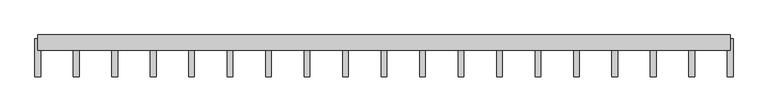
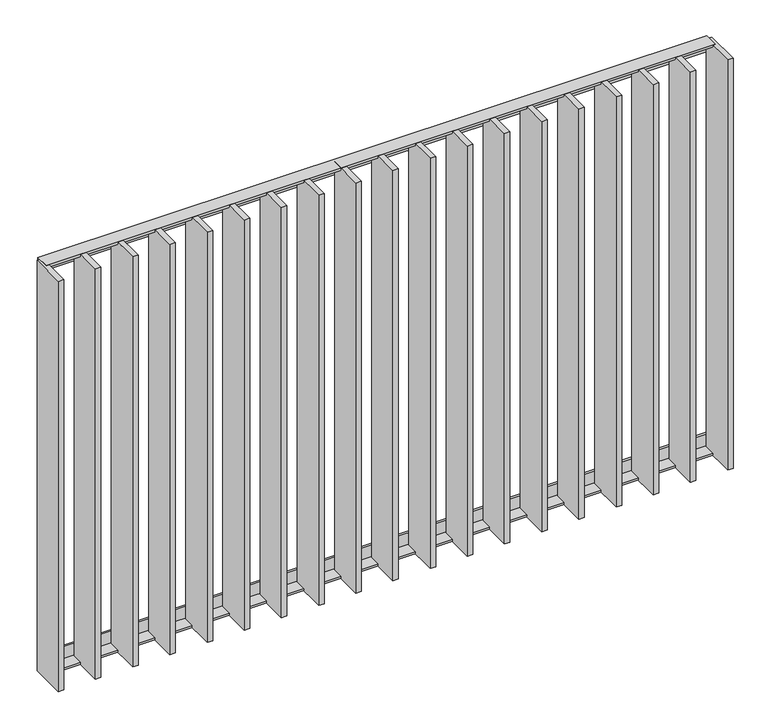
"""IFC4 building model written with IfcOpenShell, lengths in millimetres: railing geometry."""

import ifcopenshell
import ifcopenshell.guid

model = None  # the IFC model being written
_history = None  # IfcOwnerHistory: only IFC2X3 demands one
_inside = {}  # id of a spatial element -> (the spatial element, [elements in it])
_under = {}  # id of a project, library or spatial element -> (it, [spatial elements below it])
_declared = {}  # id of a project -> (the project, [libraries it declares])
_typed = {}  # id of a type object -> (the type object, [elements of that type])
_made_of = {}  # id of a material, layer set ... -> (it, [elements and type objects made of it])


def new_model(schema):
    """Start an empty IFC model of exactly this schema.

    Asked for "IFC4X3", IfcOpenShell would pick the latest addendum, in which some entities
    have other attributes; the version numbers below select the first issue.
    IFC2X3 requires an IfcOwnerHistory on every rooted entity: one is made here for all.
    """
    global model, _history
    if schema == "IFC4X3":
        model = ifcopenshell.file(schema_version=(4, 3, 0, 0))
    else:
        model = ifcopenshell.file(schema=schema)
    _inside.clear()
    _under.clear()
    _declared.clear()
    _typed.clear()
    _made_of.clear()
    _history = None
    if model.schema == "IFC2X3":
        org = make("IfcOrganization", Name="unknown")
        user = make(
            "IfcPersonAndOrganization",
            ThePerson=make("IfcPerson", FamilyName="unknown"),
            TheOrganization=org,
        )
        app = make(
            "IfcApplication",
            ApplicationDeveloper=org,
            Version="unknown",
            ApplicationFullName="unknown",
            ApplicationIdentifier="unknown",
        )
        _history = make(
            "IfcOwnerHistory",
            OwningUser=user,
            OwningApplication=app,
            ChangeAction="ADDED",
            CreationDate=0,
        )
    return model


def make(cls, **values):
    """One entity of the class cls with the attributes given. An attribute that is None is left unset."""
    return model.create_entity(
        cls, **{name: value for name, value in values.items() if value is not None}
    )


def rooted(cls, **values):
    """An entity with a GlobalId (a new one), such as an element, a storey or a relation."""
    return make(cls, GlobalId=ifcopenshell.guid.new(), OwnerHistory=_history, **values)


def si_unit(unit_type, name, prefix=None):
    """IfcSIUnit, for example si_unit("LENGTHUNIT", "METRE", prefix="MILLI")."""
    return make("IfcSIUnit", UnitType=unit_type, Prefix=prefix, Name=name)


def assignment(units):
    """IfcUnitAssignment: the units of a project."""
    return None if units is None else make("IfcUnitAssignment", Units=units)


def point(xyz):
    """IfcCartesianPoint."""
    return None if xyz is None else make("IfcCartesianPoint", Coordinates=xyz)


def direction(xyz):
    """IfcDirection."""
    return None if xyz is None else make("IfcDirection", DirectionRatios=xyz)


def frame(location, z_axis=None, x_axis=None):
    """IfcAxis2Placement3D, a coordinate frame: its origin and axes. An axis left out is left unset."""
    return make(
        "IfcAxis2Placement3D",
        Location=point(location),
        Axis=direction(z_axis),
        RefDirection=direction(x_axis),
    )


def origin():
    """The frame at (0, 0, 0) with its axes left unset."""
    return frame((0.0, 0.0, 0.0))


def place(relative_to, where):
    """IfcLocalPlacement: puts the frame where relative to a parent placement (None: the world)."""
    return make(
        "IfcLocalPlacement", PlacementRelTo=relative_to, RelativePlacement=where
    )


def context(
    kind, dimensions, precision=None, world=None, true_north=None, identifier=None
):
    """IfcGeometricRepresentationContext, for example the 3D "Model" context."""
    return make(
        "IfcGeometricRepresentationContext",
        ContextIdentifier=identifier,
        ContextType=kind,
        CoordinateSpaceDimension=dimensions,
        Precision=precision,
        WorldCoordinateSystem=world,
        TrueNorth=true_north,
    )


def project(units=None, contexts=None):
    """IfcProject with its units and contexts."""
    return rooted(
        "IfcProject",
        Name="project",
        RepresentationContexts=contexts,
        UnitsInContext=assignment(units),
    )


def spatial(cls, under=None, at=None, **own):
    """A site, building, storey or space (cls), placed at a placement, below another one or the project."""
    s = rooted(cls, ObjectPlacement=at, **own)
    if under is not None:
        _under.setdefault(under.id(), (under, []))[1].append(s)
    return s


def polyline(points):
    """IfcPolyline through the points."""
    return make("IfcPolyline", Points=[point(p) for p in points])


def outline(outer, holes=None, kind="AREA"):
    """IfcArbitraryClosedProfileDef: a profile drawn as a closed curve; with holes, ...WithVoids."""
    if holes is None:
        return make("IfcArbitraryClosedProfileDef", ProfileType=kind, OuterCurve=outer)
    return make(
        "IfcArbitraryProfileDefWithVoids",
        ProfileType=kind,
        OuterCurve=outer,
        InnerCurves=holes,
    )


def extrude(swept, where, along, depth):
    """IfcExtrudedAreaSolid: the profile swept, set in the frame where, extruded along a direction by depth."""
    return make(
        "IfcExtrudedAreaSolid",
        SweptArea=swept,
        Position=where,
        ExtrudedDirection=direction(along),
        Depth=depth,
    )


def shape(context_of_items, identifier, shape_type, items):
    """IfcShapeRepresentation: the items that make up one representation, for example the "Body"."""
    return make(
        "IfcShapeRepresentation",
        ContextOfItems=context_of_items,
        RepresentationIdentifier=identifier,
        RepresentationType=shape_type,
        Items=items,
    )


def source(mapping_origin, context_of_items, identifier, shape_type, items):
    """IfcRepresentationMap: a shape defined once, which mapped items show again and again."""
    return make(
        "IfcRepresentationMap",
        MappingOrigin=mapping_origin,
        MappedRepresentation=shape(context_of_items, identifier, shape_type, items),
    )


def transform(
    local_origin,
    x_axis=None,
    y_axis=None,
    z_axis=None,
    scale=None,
    scale2=None,
    scale3=None,
    uniform=True,
):
    """IfcCartesianTransformationOperator3D, or its non-uniform kind. x_axis, y_axis, z_axis: its Axis1, 2, 3."""
    if uniform:
        return make(
            "IfcCartesianTransformationOperator3D",
            Axis1=direction(x_axis),
            Axis2=direction(y_axis),
            LocalOrigin=point(local_origin),
            Scale=scale,
            Axis3=direction(z_axis),
        )
    return make(
        "IfcCartesianTransformationOperator3DnonUniform",
        Axis1=direction(x_axis),
        Axis2=direction(y_axis),
        LocalOrigin=point(local_origin),
        Scale=scale,
        Axis3=direction(z_axis),
        Scale2=scale2,
        Scale3=scale3,
    )


def mapped(mapping_source, mapping_target):
    """IfcMappedItem: shows the shape of a source again, moved by a transform."""
    return make(
        "IfcMappedItem", MappingSource=mapping_source, MappingTarget=mapping_target
    )


def made_of(thing, what):
    """Note that an element or type object is made of a material, layer set ...; save() writes the relation."""
    if what is not None:
        _made_of.setdefault(what.id(), (what, []))[1].append(thing)
    return thing


def element(
    cls,
    number,
    at=None,
    inside=None,
    cuts=None,
    type_object=None,
    material=None,
    context=None,
    identifier="Body",
    shape_type=None,
    held_by="IfcProductDefinitionShape",
    body=None,
    shapes=None,
    **own,
):
    """One element of the class cls, such as IfcWall. Its Tag is "e" and its number.

    at: its placement. inside: the storey or other place that contains it. cuts: it is an
    opening in that element (IfcRelVoidsElement). A single representation is given by context,
    identifier, shape_type and body (its items); several are given by shapes. held_by: the class
    of the entity that holds the representations. save() writes the other relations.
    """
    e = rooted(cls, Tag="e%d" % number, ObjectPlacement=at, **own)
    if body is not None:
        shapes = [shape(context, identifier, shape_type, body)]
    if shapes is not None:
        e.Representation = make(held_by, Representations=shapes)
    if inside is not None:
        _inside.setdefault(inside.id(), (inside, []))[1].append(e)
    if cuts is not None:
        rooted(
            "IfcRelVoidsElement", RelatingBuildingElement=cuts, RelatedOpeningElement=e
        )
    if type_object is not None:
        _typed.setdefault(type_object.id(), (type_object, []))[1].append(e)
    return made_of(e, material)


def aggregate(whole, parts):
    """IfcRelAggregates: a whole, such as a stair, and the parts it consists of."""
    return rooted("IfcRelAggregates", RelatingObject=whole, RelatedObjects=parts)


def save(model, path):
    """Write the relations noted so far, then the file.

    IfcRelAggregates (storeys below a building ...), IfcRelContainedInSpatialStructure (elements
    in a storey), IfcRelDefinesByType, IfcRelAssociatesMaterial and IfcRelDeclares: one each for
    every whole, place, type object, material and project.
    """
    for whole, parts in _under.values():
        aggregate(whole, parts)
    for where, things in _inside.values():
        rooted(
            "IfcRelContainedInSpatialStructure",
            RelatedElements=things,
            RelatingStructure=where,
        )
    for kind, things in _typed.values():
        rooted("IfcRelDefinesByType", RelatedObjects=things, RelatingType=kind)
    for what, things in _made_of.values():
        rooted("IfcRelAssociatesMaterial", RelatedObjects=things, RelatingMaterial=what)
    for by, libraries in _declared.values():
        rooted("IfcRelDeclares", RelatingContext=by, RelatedDefinitions=libraries)
    model.write(path)


def railing_2eeb3d4d(model_context):
    return source(origin(), model_context, "Body", "SweptSolid", [
        extrude(outline(polyline([(-14.0, 6.0), (20.0, 6.0), (20.0, 0.0), (-20.0, 0.0), (-20.0, 40.0), (-14.0, 40.0), (-14.0, 6.0)])), frame((59065.9325551, 6059.4012767, 8000.0), z_axis=(1.0, -2.3894474677265607e-12, 0.0), x_axis=(-2.3894474677265607e-12, -1.0, 0.0)), (0.0, 0.0, 1.0), 1820.0),
        extrude(outline(polyline([(-14.0, -6.0), (-14.0, -40.0), (-20.0, -40.0), (-20.0, 0.0), (20.0, 0.0), (20.0, -6.0), (-14.0, -6.0)])), frame((59065.9325551, 6059.4012767, 6820.0), z_axis=(1.0, -2.3894474677265607e-12, 0.0), x_axis=(-2.3894474677265607e-12, -1.0, 0.0)), (0.0, 0.0, 1.0), 1820.0),
        extrude(outline(polyline([(59174.5436662, 6069.4012767), (59174.5436662, 5969.4012767), (59159.5436662, 5969.4012767), (59159.5436662, 6069.4012767), (59174.5436662, 6069.4012767)])), frame((0.0, 0.0, 6819.9), z_axis=(0.0, 0.0, 1.0), x_axis=(1.0, 0.0, 0.0)), (0.0, 0.0, 1.0), 1180.2),
        extrude(outline(polyline([(59275.6547773, 6069.4012767), (59275.6547773, 5969.4012767), (59260.6547773, 5969.4012767), (59260.6547773, 6069.4012767), (59275.6547773, 6069.4012767)])), frame((0.0, 0.0, 6819.9), z_axis=(0.0, 0.0, 1.0), x_axis=(1.0, 0.0, 0.0)), (0.0, 0.0, 1.0), 1180.2),
        extrude(outline(polyline([(59376.7658884, 6069.4012767), (59376.7658884, 5969.4012767), (59361.7658884, 5969.4012767), (59361.7658884, 6069.4012767), (59376.7658884, 6069.4012767)])), frame((0.0, 0.0, 6819.9), z_axis=(0.0, 0.0, 1.0), x_axis=(1.0, 0.0, 0.0)), (0.0, 0.0, 1.0), 1180.2),
        extrude(outline(polyline([(59477.8769995, 6069.4012767), (59477.8769995, 5969.4012767), (59462.8769995, 5969.4012767), (59462.8769995, 6069.4012767), (59477.8769995, 6069.4012767)])), frame((0.0, 0.0, 6819.9), z_axis=(0.0, 0.0, 1.0), x_axis=(1.0, 0.0, 0.0)), (0.0, 0.0, 1.0), 1180.2),
        extrude(outline(polyline([(59578.9881106, 6069.4012767), (59578.9881106, 5969.4012767), (59563.9881106, 5969.4012767), (59563.9881106, 6069.4012767), (59578.9881106, 6069.4012767)])), frame((0.0, 0.0, 6819.9), z_axis=(0.0, 0.0, 1.0), x_axis=(1.0, 0.0, 0.0)), (0.0, 0.0, 1.0), 1180.2),
        extrude(outline(polyline([(59680.0992217, 6069.4012767), (59680.0992217, 5969.4012767), (59665.0992217, 5969.4012767), (59665.0992217, 6069.4012767), (59680.0992217, 6069.4012767)])), frame((0.0, 0.0, 6819.9), z_axis=(0.0, 0.0, 1.0), x_axis=(1.0, 0.0, 0.0)), (0.0, 0.0, 1.0), 1180.2),
        extrude(outline(polyline([(59781.2103329, 6069.4012767), (59781.2103329, 5969.4012767), (59766.2103329, 5969.4012767), (59766.2103329, 6069.4012767), (59781.2103329, 6069.4012767)])), frame((0.0, 0.0, 6819.9), z_axis=(0.0, 0.0, 1.0), x_axis=(1.0, 0.0, 0.0)), (0.0, 0.0, 1.0), 1180.2),
        extrude(outline(polyline([(59882.321444, 6069.4012767), (59882.321444, 5969.4012767), (59867.321444, 5969.4012767), (59867.321444, 6069.4012767), (59882.321444, 6069.4012767)])), frame((0.0, 0.0, 6819.9), z_axis=(0.0, 0.0, 1.0), x_axis=(1.0, 0.0, 0.0)), (0.0, 0.0, 1.0), 1180.2),
        extrude(outline(polyline([(59983.4325551, 6069.4012767), (59983.4325551, 5969.4012767), (59968.4325551, 5969.4012767), (59968.4325551, 6069.4012767), (59983.4325551, 6069.4012767)])), frame((0.0, 0.0, 6819.9), z_axis=(0.0, 0.0, 1.0), x_axis=(1.0, 0.0, 0.0)), (0.0, 0.0, 1.0), 1180.2),
        extrude(outline(polyline([(60084.5436662, 6069.4012767), (60084.5436662, 5969.4012767), (60069.5436662, 5969.4012767), (60069.5436662, 6069.4012767), (60084.5436662, 6069.4012767)])), frame((0.0, 0.0, 6819.9), z_axis=(0.0, 0.0, 1.0), x_axis=(1.0, 0.0, 0.0)), (0.0, 0.0, 1.0), 1180.2),
        extrude(outline(polyline([(60185.6547773, 6069.4012767), (60185.6547773, 5969.4012767), (60170.6547773, 5969.4012767), (60170.6547773, 6069.4012767), (60185.6547773, 6069.4012767)])), frame((0.0, 0.0, 6819.9), z_axis=(0.0, 0.0, 1.0), x_axis=(1.0, 0.0, 0.0)), (0.0, 0.0, 1.0), 1180.2),
        extrude(outline(polyline([(60286.7658884, 6069.4012767), (60286.7658884, 5969.4012767), (60271.7658884, 5969.4012767), (60271.7658884, 6069.4012767), (60286.7658884, 6069.4012767)])), frame((0.0, 0.0, 6819.9), z_axis=(0.0, 0.0, 1.0), x_axis=(1.0, 0.0, 0.0)), (0.0, 0.0, 1.0), 1180.2),
        extrude(outline(polyline([(60387.8769995, 6069.4012767), (60387.8769995, 5969.4012767), (60372.8769995, 5969.4012767), (60372.8769995, 6069.4012767), (60387.8769995, 6069.4012767)])), frame((0.0, 0.0, 6819.9), z_axis=(0.0, 0.0, 1.0), x_axis=(1.0, 0.0, 0.0)), (0.0, 0.0, 1.0), 1180.2),
        extrude(outline(polyline([(60488.9881106, 6069.4012767), (60488.9881106, 5969.4012767), (60473.9881106, 5969.4012767), (60473.9881106, 6069.4012767), (60488.9881106, 6069.4012767)])), frame((0.0, 0.0, 6819.9), z_axis=(0.0, 0.0, 1.0), x_axis=(1.0, 0.0, 0.0)), (0.0, 0.0, 1.0), 1180.2),
        extrude(outline(polyline([(60590.0992217, 6069.4012767), (60590.0992217, 5969.4012767), (60575.0992217, 5969.4012767), (60575.0992217, 6069.4012767), (60590.0992217, 6069.4012767)])), frame((0.0, 0.0, 6819.9), z_axis=(0.0, 0.0, 1.0), x_axis=(1.0, 0.0, 0.0)), (0.0, 0.0, 1.0), 1180.2),
        extrude(outline(polyline([(60691.2103329, 6069.4012767), (60691.2103329, 5969.4012767), (60676.2103329, 5969.4012767), (60676.2103329, 6069.4012767), (60691.2103329, 6069.4012767)])), frame((0.0, 0.0, 6819.9), z_axis=(0.0, 0.0, 1.0), x_axis=(1.0, 0.0, 0.0)), (0.0, 0.0, 1.0), 1180.2),
        extrude(outline(polyline([(60792.321444, 6069.4012767), (60792.321444, 5969.4012767), (60777.321444, 5969.4012767), (60777.321444, 6069.4012767), (60792.321444, 6069.4012767)])), frame((0.0, 0.0, 6819.9), z_axis=(0.0, 0.0, 1.0), x_axis=(1.0, 0.0, 0.0)), (0.0, 0.0, 1.0), 1180.2),
        extrude(outline(polyline([(59073.4325551, 6069.4012767), (59073.4325551, 5969.4012767), (59058.4325551, 5969.4012767), (59058.4325551, 6069.4012767), (59073.4325551, 6069.4012767)])), frame((0.0, 0.0, 6819.9), z_axis=(0.0, 0.0, 1.0), x_axis=(1.0, 0.0, 0.0)), (0.0, 0.0, 1.0), 1180.2),
        extrude(outline(polyline([(60893.4325551, 6069.4012767), (60893.4325551, 5969.4012767), (60878.4325551, 5969.4012767), (60878.4325551, 6069.4012767), (60893.4325551, 6069.4012767)])), frame((0.0, 0.0, 6819.9), z_axis=(0.0, 0.0, 1.0), x_axis=(1.0, 0.0, 0.0)), (0.0, 0.0, 1.0), 1180.2),
    ])


if __name__ == "__main__":
    model = new_model("IFC4")
    model_context = context("Model", 3, world=origin())
    ifc_project = project(units=[si_unit("LENGTHUNIT", "METRE", prefix="MILLI")], contexts=[model_context])
    site = spatial("IfcSite", under=ifc_project)
    building = spatial("IfcBuilding", under=site)
    placement = place(None, origin())
    railing_shape = railing_2eeb3d4d(model_context)
    element("IfcRailing", 1, at=placement, inside=building, context=model_context, shape_type="MappedRepresentation", body=[
        mapped(railing_shape, transform((0.0, 0.0, 0.0), x_axis=(1.0, 0.0, 0.0), y_axis=(0.0, 1.0, 0.0), z_axis=(0.0, 0.0, 1.0))),
    ])
    save(model, "model.ifc")
